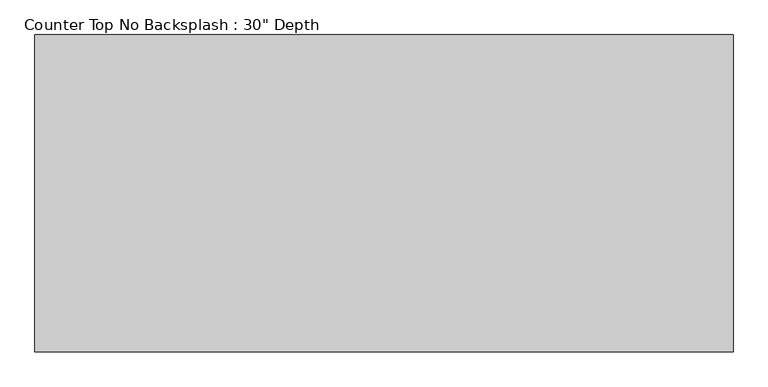
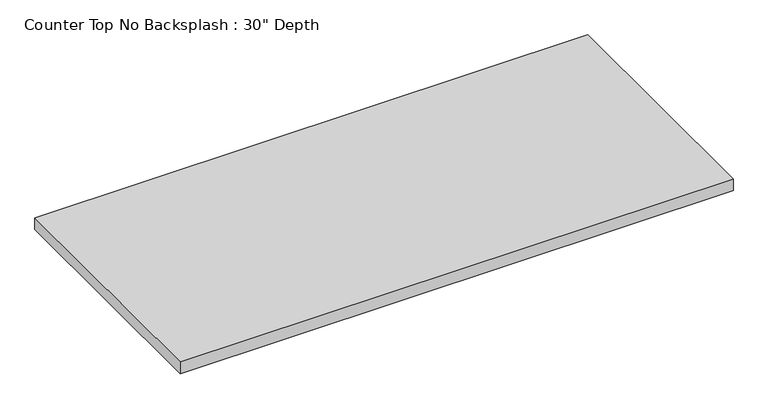
"""IFC4 building model written with IfcOpenShell, lengths in millimetres: furniture geometry."""

from ifc_helpers import new_model, si_unit, frame, origin, place, context, project, spatial, polyline, outline, extrude, source, transform, mapped, element, save


def furniture_80d7af7a(model_context):
    return source(origin(), model_context, "Body", "SweptSolid", [
        extrude(outline(polyline([(476.3684115, 0.0), (476.3684115, -762.0), (-1200.4622951, -762.0), (-1200.4622951, 0.0), (476.3684115, 0.0)])), frame((0.0, 0.0, 876.3), z_axis=(0.0, 0.0, 1.0), x_axis=(1.0, 0.0, 0.0)), (0.0, 0.0, 1.0), 38.1),
    ])


if __name__ == "__main__":
    model = new_model("IFC4")
    model_context = context("Model", 3, world=origin())
    ifc_project = project(units=[si_unit("LENGTHUNIT", "METRE", prefix="MILLI")], contexts=[model_context])
    site = spatial("IfcSite", under=ifc_project)
    building = spatial("IfcBuilding", under=site)
    placement = place(None, origin())
    furniture_shape = furniture_80d7af7a(model_context)
    element("IfcFurniture", 1, ObjectType="Counter Top No Backsplash : 30\" Depth", at=placement, inside=building, context=model_context, shape_type="MappedRepresentation", body=[
        mapped(furniture_shape, transform((0.0, 0.0, 0.0), x_axis=(1.0, 0.0, 0.0), y_axis=(0.0, 1.0, 0.0), z_axis=(0.0, 0.0, 1.0))),
    ])
    save(model, "model.ifc")
